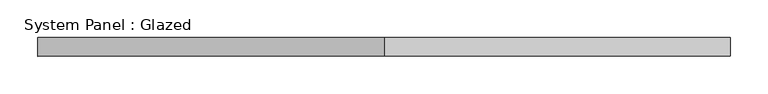
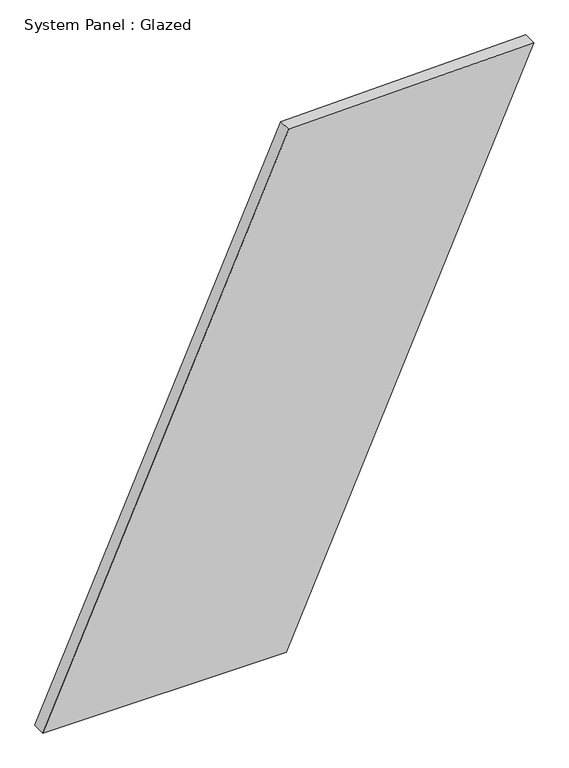
"""IFC4 building model written with IfcOpenShell, lengths in millimetres: plate geometry, System Panel : Glazed."""

from ifc_helpers import new_model, si_unit, frame, origin, place, context, project, spatial, polyline, outline, extrude, source, transform, mapped, element, save


def system_panel_glazed_a9563480(model_context):
    return source(origin(), model_context, "Body", "SweptSolid", [
        extrude(outline(polyline([(0.0, -460.3335537), (0.0, -3.4208362), (1046.6003531, 460.3335537), (1035.1681578, 1.0638101), (0.0, -460.3335537)])), frame((0.0, -49.5, 0.0), z_axis=(0.0, 1.0, 0.0), x_axis=(0.0, 0.0, 1.0)), (0.0, 0.0, 1.0), 25.0),
    ])


if __name__ == "__main__":
    model = new_model("IFC4")
    model_context = context("Model", 3, world=origin())
    ifc_project = project(units=[si_unit("LENGTHUNIT", "METRE", prefix="MILLI")], contexts=[model_context])
    site = spatial("IfcSite", under=ifc_project)
    building = spatial("IfcBuilding", under=site)
    placement = place(None, origin())
    system_panel_glazed_shape = system_panel_glazed_a9563480(model_context)
    element("IfcPlate", 1, ObjectType="System Panel : Glazed", at=placement, inside=building, context=model_context, shape_type="MappedRepresentation", body=[
        mapped(system_panel_glazed_shape, transform((0.0, 0.0, 0.0), x_axis=(1.0, 0.0, 0.0), y_axis=(0.0, 1.0, 0.0), z_axis=(0.0, 0.0, 1.0))),
    ])
    save(model, "model.ifc")
